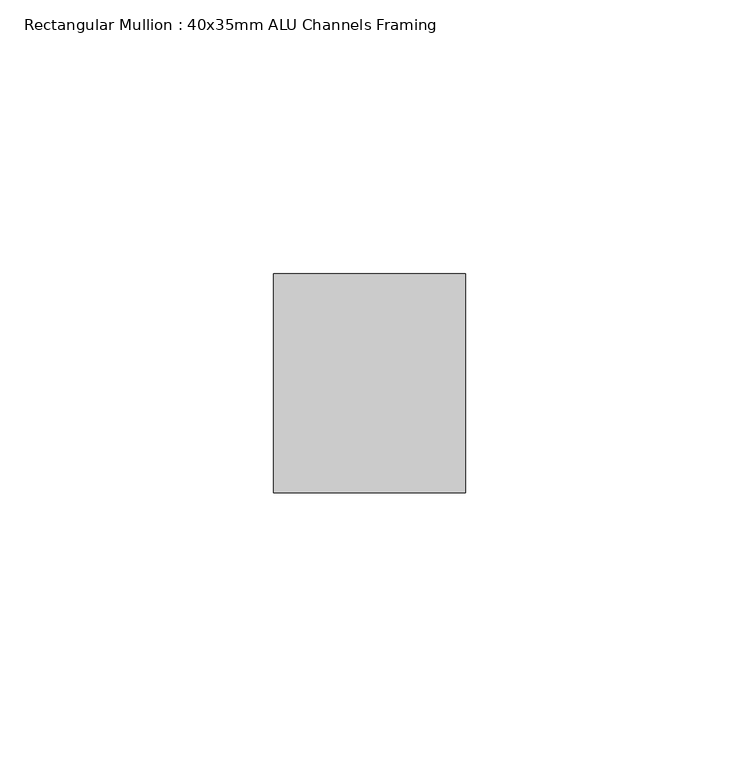
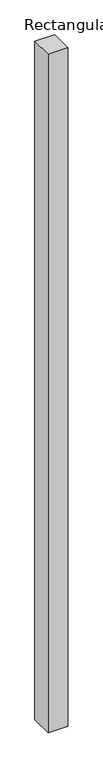
"""IFC4 building model written with IfcOpenShell, lengths in millimetres: member geometry, Rectangular Mullion : 40x35mm ALU Channels Framing."""

from ifc_helpers import new_model, si_unit, frame, origin, place, context, project, spatial, polyline, outline, extrude, source, transform, mapped, element, save


def rectangular_mullion_40x35mm_alu_channels_framing_8e620d2c(model_context):
    return source(origin(), model_context, "Body", "SweptSolid", [
        extrude(outline(polyline([(17.5, 20.0), (17.5, -20.0), (-17.5, -20.0), (-17.5, 20.0), (17.5, 20.0)])), frame((0.0, 0.0, -1265.0), z_axis=(0.0, 0.0, 1.0), x_axis=(1.0, 0.0, 0.0)), (0.0, 0.0, 1.0), 1265.0),
    ])


if __name__ == "__main__":
    model = new_model("IFC4")
    model_context = context("Model", 3, world=origin())
    ifc_project = project(units=[si_unit("LENGTHUNIT", "METRE", prefix="MILLI")], contexts=[model_context])
    site = spatial("IfcSite", under=ifc_project)
    building = spatial("IfcBuilding", under=site)
    placement = place(None, origin())
    rectangular_mullion_40x35mm_alu_channels_framing_shape = rectangular_mullion_40x35mm_alu_channels_framing_8e620d2c(model_context)
    element("IfcMember", 1, ObjectType="Rectangular Mullion : 40x35mm ALU Channels Framing", at=placement, inside=building, context=model_context, shape_type="MappedRepresentation", body=[
        mapped(rectangular_mullion_40x35mm_alu_channels_framing_shape, transform((0.0, 0.0, 0.0), x_axis=(1.0, 0.0, 0.0), y_axis=(0.0, 1.0, 0.0), z_axis=(0.0, 0.0, 1.0))),
    ])
    save(model, "model.ifc")
